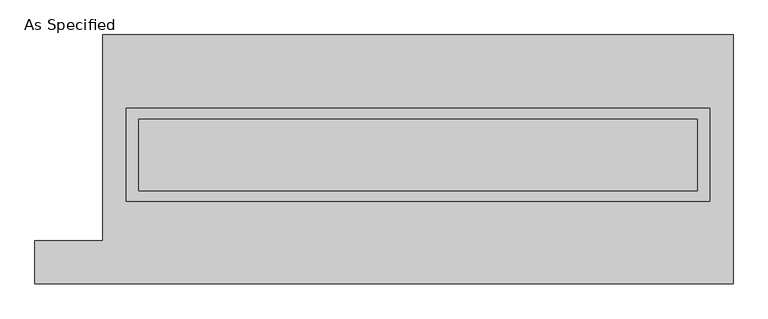
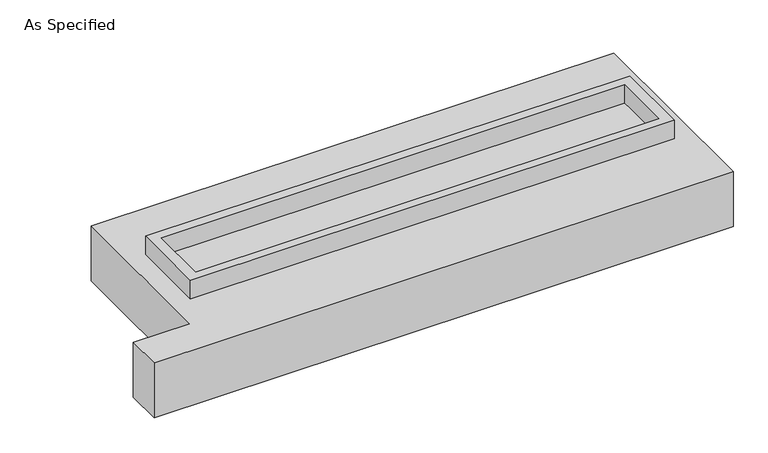
"""IFC4 building model written with IfcOpenShell, lengths in millimetres: proxy geometry, As Specified."""

from ifc_helpers import new_model, si_unit, frame, origin, place, context, project, spatial, polyline, outline, extrude, faceted_brep, source, transform, mapped, element, save


def as_specified_f8f28e14(model_context):
    return source(origin(), model_context, "Body", "SolidModel", [
        extrude(outline(polyline([(2070.1, 361.95), (2070.1, -298.45), (-2070.1, -298.45), (-2070.1, 361.95), (2070.1, 361.95)]), holes=[polyline([(1981.2, 285.75), (-1981.2, 285.75), (-1981.2, -222.25), (1981.2, -222.25), (1981.2, 285.75)])]), frame((0.0, 0.0, -25.4), z_axis=(0.0, 0.0, 1.0), x_axis=(1.0, 0.0, 0.0)), (0.0, 0.0, 1.0), 165.1),
        extrude(outline(polyline([(1981.2, 285.75), (1981.2, -222.25), (-1981.2, -222.25), (-1981.2, 285.75), (1981.2, 285.75)])), frame((0.0, 0.0, -30.3609375), z_axis=(0.0, 0.0, 1.0), x_axis=(1.0, 0.0, 0.0)), (0.0, 0.0, 1.0), 4.9609375),
        faceted_brep([(-2235.2, 882.65, -523.875), (2235.2, 882.65, -523.875), (2235.2, -882.65, -523.875), (-2717.8, -882.65, -523.875), (-2717.8, -577.85, -523.875), (-2235.2, -577.85, -523.875), (2235.2, 882.65, -25.4), (-2235.2, 882.65, -25.4), (-2235.2, -577.85, -25.4), (-2717.8, -577.85, -25.4), (-2717.8, -882.65, -25.4), (2235.2, -882.65, -25.4), (-2070.1, -298.45, -25.4), (-2070.1, 361.95, -25.4), (2070.1, 361.95, -25.4), (2070.1, -298.45, -25.4), (2070.1, 361.95, -498.475), (-2070.1, 361.95, -498.475), (-2070.1, -298.45, -498.475), (2070.1, -298.45, -498.475)], [[[0, 1, 2, 3, 4, 5]], [[6, 7, 8, 9, 10, 11], [12, 13, 14, 15]], [[1, 0, 7, 6]], [[7, 0, 5, 8]], [[1, 6, 11, 2]], [[16, 17, 18, 19]], [[18, 17, 13, 12]], [[17, 16, 14, 13]], [[16, 19, 15, 14]], [[12, 15, 19, 18]], [[3, 2, 11, 10]], [[5, 4, 9, 8]], [[4, 3, 10, 9]]]),
    ])


if __name__ == "__main__":
    model = new_model("IFC4")
    model_context = context("Model", 3, world=origin())
    ifc_project = project(units=[si_unit("LENGTHUNIT", "METRE", prefix="MILLI")], contexts=[model_context])
    site = spatial("IfcSite", under=ifc_project)
    building = spatial("IfcBuilding", under=site)
    placement = place(None, origin())
    as_specified_shape = as_specified_f8f28e14(model_context)
    element("IfcBuildingElementProxy", 1, Name="As Specified", ObjectType="As Specified", at=placement, inside=building, context=model_context, shape_type="MappedRepresentation", body=[
        mapped(as_specified_shape, transform((0.0, 0.0, 0.0), x_axis=(1.0, 0.0, 0.0), y_axis=(0.0, 1.0, 0.0), z_axis=(0.0, 0.0, 1.0))),
    ])
    save(model, "model.ifc")
